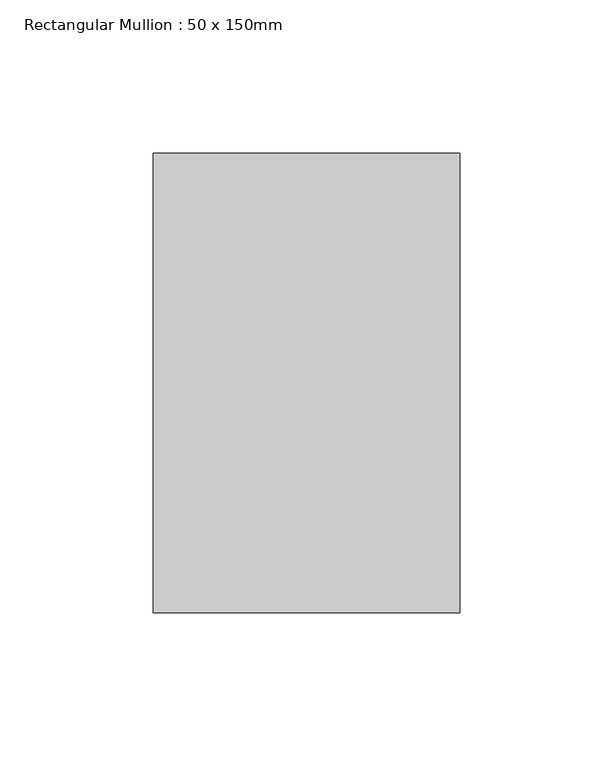
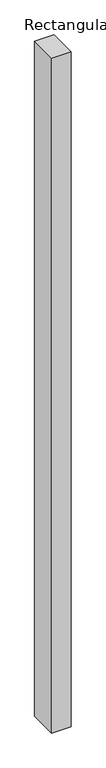
"""IFC4 building model written with IfcOpenShell, lengths in millimetres: member geometry, Rectangular Mullion : 50 x 150mm."""

from ifc_helpers import new_model, si_unit, frame, origin, place, context, project, spatial, polyline, outline, extrude, source, transform, mapped, element, save


def rectangular_mullion_50_x_150mm_268f5a02(model_context):
    return source(origin(), model_context, "Body", "SweptSolid", [
        extrude(outline(polyline([(0.0, 75.0), (0.0, -75.0), (-100.0, -75.0), (-100.0, 75.0), (0.0, 75.0)])), frame((0.0, 0.0, -3654.1784191), z_axis=(0.0, 0.0, 1.0), x_axis=(1.0, 0.0, 0.0)), (0.0, 0.0, 1.0), 3654.1784191),
    ])


if __name__ == "__main__":
    model = new_model("IFC4")
    model_context = context("Model", 3, world=origin())
    ifc_project = project(units=[si_unit("LENGTHUNIT", "METRE", prefix="MILLI")], contexts=[model_context])
    site = spatial("IfcSite", under=ifc_project)
    building = spatial("IfcBuilding", under=site)
    placement = place(None, origin())
    rectangular_mullion_50_x_150mm_shape = rectangular_mullion_50_x_150mm_268f5a02(model_context)
    element("IfcMember", 1, ObjectType="Rectangular Mullion : 50 x 150mm", at=placement, inside=building, context=model_context, shape_type="MappedRepresentation", body=[
        mapped(rectangular_mullion_50_x_150mm_shape, transform((0.0, 0.0, 0.0), x_axis=(1.0, 0.0, 0.0), y_axis=(0.0, 1.0, 0.0), z_axis=(0.0, 0.0, 1.0))),
    ])
    save(model, "model.ifc")
